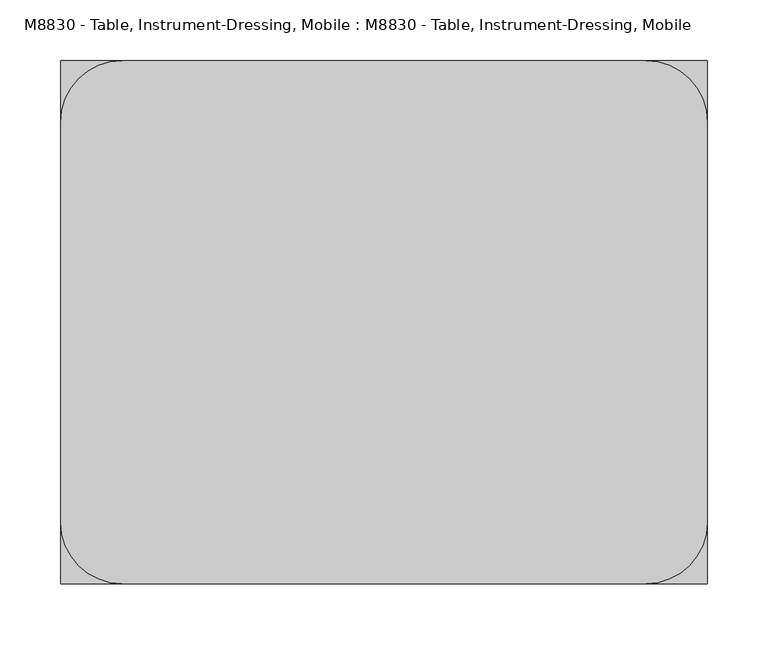
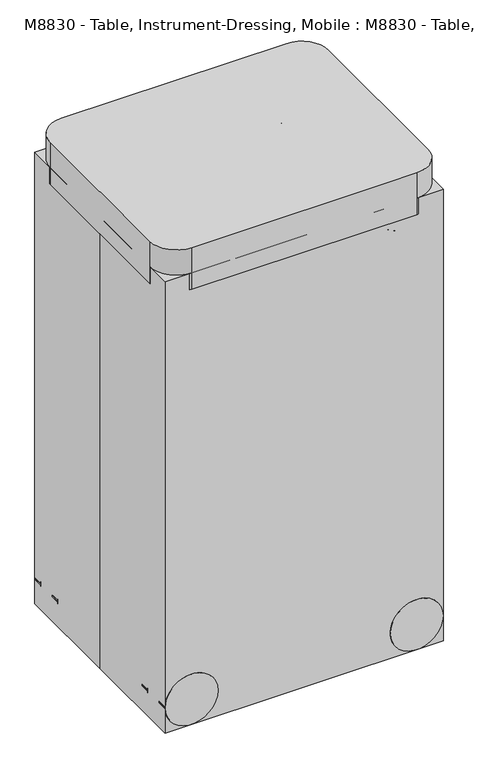
"""IFC4 building model written with IfcOpenShell, lengths in millimetres: proxy geometry, M8830 - Table, Instrument-Dressing, Mobile : M8830 - Table, Instrument-Dressing, Mobile."""

from ifc_helpers import new_model, si_unit, point, frame, frame_2d, origin, origin_with_axes, place, context, project, spatial, polyline, circle_curve, ellipse_curve, trimmed, segment, composite_curve, outline, extrude, source, transform, mapped, element, save
from ifc_brep_helpers import plane_surface, cylinder_surface, revolved_surface, advanced_brep


def m8830_table_instrument_dressing_mobile_m8830_table_82b5ee90(model_context):
    return source(origin(), model_context, "Body", "SolidModel", [
        extrude(outline(composite_curve([segment(trimmed(circle_curve(frame_2d((50.8, 215.9)), 50.8), [point((50.8, 266.7))], [point((50.8, 165.1))], False, "CARTESIAN"), True, "CONTINUOUS"), segment(trimmed(circle_curve(frame_2d((50.8, 215.9)), 50.8), [point((50.8, 165.1))], [point((50.8, 266.7))], False, "CARTESIAN"), True, "CONTINUOUS")], self_intersect=False)), frame((0.0, 139.7, 0.0), z_axis=(0.0, 1.0, 0.0), x_axis=(0.0, 0.0, 1.0)), (0.0, 0.0, 1.0), 19.05),
        extrude(outline(composite_curve([segment(trimmed(circle_curve(frame_2d((50.8, 215.9)), 50.8), [point((50.8, 266.7))], [point((50.8, 165.1))], False, "CARTESIAN"), True, "CONTINUOUS"), segment(trimmed(circle_curve(frame_2d((50.8, 215.9)), 50.8), [point((50.8, 165.1))], [point((50.8, 266.7))], False, "CARTESIAN"), True, "CONTINUOUS")], self_intersect=False)), frame((0.0, 196.85, 0.0), z_axis=(0.0, 1.0, 0.0), x_axis=(0.0, 0.0, 1.0)), (0.0, 0.0, 1.0), 19.05),
        extrude(outline(composite_curve([segment(trimmed(circle_curve(frame_2d((232.8333333, 177.8)), 16.9333333), [point((232.8333333, 194.7333333))], [point((232.8333333, 160.8666667))], False, "CARTESIAN"), True, "CONTINUOUS"), segment(trimmed(circle_curve(frame_2d((232.8333333, 177.8)), 16.9333333), [point((232.8333333, 160.8666667))], [point((232.8333333, 194.7333333))], False, "CARTESIAN"), True, "CONTINUOUS")], self_intersect=False)), frame((0.0, 0.0, 50.8), z_axis=(0.0, 0.0, 1.0), x_axis=(1.0, 0.0, 0.0)), (0.0, 0.0, 1.0), 50.8),
        extrude(outline(composite_curve([segment(trimmed(circle_curve(frame_2d((50.8, 215.9)), 33.8666667), [point((50.8, 182.0333333))], [point((50.8, 249.7666667))], False, "CARTESIAN"), True, "CONTINUOUS"), segment(trimmed(circle_curve(frame_2d((50.8, 215.9)), 33.8666667), [point((50.8, 249.7666667))], [point((50.8, 182.0333333))], False, "CARTESIAN"), True, "CONTINUOUS")], self_intersect=False)), frame((0.0, 158.75, 0.0), z_axis=(0.0, 1.0, 0.0), x_axis=(0.0, 0.0, 1.0)), (0.0, 0.0, 1.0), 38.1),
        extrude(outline(composite_curve([segment(trimmed(circle_curve(frame_2d((50.8, -215.9)), 50.8), [point((50.8, -266.7))], [point((50.8, -165.1))], False, "CARTESIAN"), True, "CONTINUOUS"), segment(trimmed(circle_curve(frame_2d((50.8, -215.9)), 50.8), [point((50.8, -165.1))], [point((50.8, -266.7))], False, "CARTESIAN"), True, "CONTINUOUS")], self_intersect=False)), frame((0.0, 139.7, 0.0), z_axis=(0.0, 1.0, 0.0), x_axis=(0.0, 0.0, 1.0)), (0.0, 0.0, 1.0), 19.05),
        extrude(outline(composite_curve([segment(trimmed(circle_curve(frame_2d((50.8, -215.9)), 50.8), [point((50.8, -266.7))], [point((50.8, -165.1))], False, "CARTESIAN"), True, "CONTINUOUS"), segment(trimmed(circle_curve(frame_2d((50.8, -215.9)), 50.8), [point((50.8, -165.1))], [point((50.8, -266.7))], False, "CARTESIAN"), True, "CONTINUOUS")], self_intersect=False)), frame((0.0, 196.85, 0.0), z_axis=(0.0, 1.0, 0.0), x_axis=(0.0, 0.0, 1.0)), (0.0, 0.0, 1.0), 19.05),
        extrude(outline(composite_curve([segment(trimmed(circle_curve(frame_2d((-232.8333333, 177.8)), 16.9333333), [point((-232.8333333, 194.7333333))], [point((-232.8333333, 160.8666667))], False, "CARTESIAN"), True, "CONTINUOUS"), segment(trimmed(circle_curve(frame_2d((-232.8333333, 177.8)), 16.9333333), [point((-232.8333333, 160.8666667))], [point((-232.8333333, 194.7333333))], False, "CARTESIAN"), True, "CONTINUOUS")], self_intersect=False)), frame((0.0, 0.0, 50.8), z_axis=(0.0, 0.0, 1.0), x_axis=(1.0, 0.0, 0.0)), (0.0, 0.0, 1.0), 50.8),
        extrude(outline(composite_curve([segment(trimmed(circle_curve(frame_2d((50.8, -215.9)), 33.8666667), [point((50.8, -182.0333333))], [point((50.8, -249.7666667))], False, "CARTESIAN"), True, "CONTINUOUS"), segment(trimmed(circle_curve(frame_2d((50.8, -215.9)), 33.8666667), [point((50.8, -249.7666667))], [point((50.8, -182.0333333))], False, "CARTESIAN"), True, "CONTINUOUS")], self_intersect=False)), frame((0.0, 158.75, 0.0), z_axis=(0.0, 1.0, 0.0), x_axis=(0.0, 0.0, 1.0)), (0.0, 0.0, 1.0), 38.1),
        extrude(outline(composite_curve([segment(trimmed(circle_curve(frame_2d((50.8, 215.9)), 50.8), [point((50.8, 266.7))], [point((50.8, 165.1))], False, "CARTESIAN"), True, "CONTINUOUS"), segment(trimmed(circle_curve(frame_2d((50.8, 215.9)), 50.8), [point((50.8, 165.1))], [point((50.8, 266.7))], False, "CARTESIAN"), True, "CONTINUOUS")], self_intersect=False)), frame((0.0, -158.75, 0.0), z_axis=(0.0, 1.0, 0.0), x_axis=(0.0, 0.0, 1.0)), (0.0, 0.0, 1.0), 19.05),
        extrude(outline(composite_curve([segment(trimmed(circle_curve(frame_2d((50.8, 215.9)), 50.8), [point((50.8, 266.7))], [point((50.8, 165.1))], False, "CARTESIAN"), True, "CONTINUOUS"), segment(trimmed(circle_curve(frame_2d((50.8, 215.9)), 50.8), [point((50.8, 165.1))], [point((50.8, 266.7))], False, "CARTESIAN"), True, "CONTINUOUS")], self_intersect=False)), frame((0.0, -215.9, 0.0), z_axis=(0.0, 1.0, 0.0), x_axis=(0.0, 0.0, 1.0)), (0.0, 0.0, 1.0), 19.05),
        extrude(outline(composite_curve([segment(trimmed(circle_curve(frame_2d((232.8333333, -177.8)), 16.9333333), [point((232.8333333, -194.7333333))], [point((232.8333333, -160.8666667))], False, "CARTESIAN"), True, "CONTINUOUS"), segment(trimmed(circle_curve(frame_2d((232.8333333, -177.8)), 16.9333333), [point((232.8333333, -160.8666667))], [point((232.8333333, -194.7333333))], False, "CARTESIAN"), True, "CONTINUOUS")], self_intersect=False)), frame((0.0, 0.0, 50.8), z_axis=(0.0, 0.0, 1.0), x_axis=(1.0, 0.0, 0.0)), (0.0, 0.0, 1.0), 50.8),
        extrude(outline(composite_curve([segment(trimmed(circle_curve(frame_2d((50.8, 215.9)), 33.8666667), [point((50.8, 182.0333333))], [point((50.8, 249.7666667))], False, "CARTESIAN"), True, "CONTINUOUS"), segment(trimmed(circle_curve(frame_2d((50.8, 215.9)), 33.8666667), [point((50.8, 249.7666667))], [point((50.8, 182.0333333))], False, "CARTESIAN"), True, "CONTINUOUS")], self_intersect=False)), frame((0.0, -196.85, 0.0), z_axis=(0.0, 1.0, 0.0), x_axis=(0.0, 0.0, 1.0)), (0.0, 0.0, 1.0), 38.1),
        extrude(outline(composite_curve([segment(trimmed(circle_curve(frame_2d((50.8, -215.9)), 50.8), [point((50.8, -266.7))], [point((50.8, -165.1))], False, "CARTESIAN"), True, "CONTINUOUS"), segment(trimmed(circle_curve(frame_2d((50.8, -215.9)), 50.8), [point((50.8, -165.1))], [point((50.8, -266.7))], False, "CARTESIAN"), True, "CONTINUOUS")], self_intersect=False)), frame((0.0, -158.75, 0.0), z_axis=(0.0, 1.0, 0.0), x_axis=(0.0, 0.0, 1.0)), (0.0, 0.0, 1.0), 19.05),
        extrude(outline(composite_curve([segment(trimmed(circle_curve(frame_2d((50.8, -215.9)), 50.8), [point((50.8, -266.7))], [point((50.8, -165.1))], False, "CARTESIAN"), True, "CONTINUOUS"), segment(trimmed(circle_curve(frame_2d((50.8, -215.9)), 50.8), [point((50.8, -165.1))], [point((50.8, -266.7))], False, "CARTESIAN"), True, "CONTINUOUS")], self_intersect=False)), frame((0.0, -215.9, 0.0), z_axis=(0.0, 1.0, 0.0), x_axis=(0.0, 0.0, 1.0)), (0.0, 0.0, 1.0), 19.05),
        extrude(outline(composite_curve([segment(trimmed(circle_curve(frame_2d((-232.8333333, -177.8)), 16.9333333), [point((-232.8333333, -194.7333333))], [point((-232.8333333, -160.8666667))], False, "CARTESIAN"), True, "CONTINUOUS"), segment(trimmed(circle_curve(frame_2d((-232.8333333, -177.8)), 16.9333333), [point((-232.8333333, -160.8666667))], [point((-232.8333333, -194.7333333))], False, "CARTESIAN"), True, "CONTINUOUS")], self_intersect=False)), frame((0.0, 0.0, 50.8), z_axis=(0.0, 0.0, 1.0), x_axis=(1.0, 0.0, 0.0)), (0.0, 0.0, 1.0), 50.8),
        extrude(outline(composite_curve([segment(trimmed(circle_curve(frame_2d((50.8, -215.9)), 33.8666667), [point((50.8, -182.0333333))], [point((50.8, -249.7666667))], False, "CARTESIAN"), True, "CONTINUOUS"), segment(trimmed(circle_curve(frame_2d((50.8, -215.9)), 33.8666667), [point((50.8, -249.7666667))], [point((50.8, -182.0333333))], False, "CARTESIAN"), True, "CONTINUOUS")], self_intersect=False)), frame((0.0, -196.85, 0.0), z_axis=(0.0, 1.0, 0.0), x_axis=(0.0, 0.0, 1.0)), (0.0, 0.0, 1.0), 38.1),
        extrude(outline(composite_curve([segment(trimmed(circle_curve(frame_2d((681.6008334, -232.8333333)), 12.7), [point((681.6008334, -245.5333333))], [point((681.6008334, -220.1333333))], False, "CARTESIAN"), True, "CONTINUOUS"), segment(trimmed(circle_curve(frame_2d((681.6008334, -232.8333333)), 12.7), [point((681.6008334, -220.1333333))], [point((681.6008334, -245.5333333))], False, "CARTESIAN"), True, "CONTINUOUS")], self_intersect=False)), frame((0.0, -180.1254393, 0.0), z_axis=(0.0, 1.0, 0.0), x_axis=(0.0, 0.0, 1.0)), (0.0, 0.0, 1.0), 357.0480955),
        extrude(outline(composite_curve([segment(trimmed(circle_curve(frame_2d((681.6008334, 232.8333333)), 12.7), [point((681.6008334, 220.1333333))], [point((681.6008334, 245.5333333))], False, "CARTESIAN"), True, "CONTINUOUS"), segment(trimmed(circle_curve(frame_2d((681.6008334, 232.8333333)), 12.7), [point((681.6008334, 245.5333333))], [point((681.6008334, 220.1333333))], False, "CARTESIAN"), True, "CONTINUOUS")], self_intersect=False)), frame((0.0, -180.1254393, 0.0), z_axis=(0.0, 1.0, 0.0), x_axis=(0.0, 0.0, 1.0)), (0.0, 0.0, 1.0), 357.0480955),
        extrude(outline(composite_curve([segment(trimmed(circle_curve(frame_2d((241.3, -232.8333333)), 12.7), [point((241.3, -245.5333333))], [point((241.3, -220.1333333))], False, "CARTESIAN"), True, "CONTINUOUS"), segment(trimmed(circle_curve(frame_2d((241.3, -232.8333333)), 12.7), [point((241.3, -220.1333333))], [point((241.3, -245.5333333))], False, "CARTESIAN"), True, "CONTINUOUS")], self_intersect=False)), frame((0.0, -180.1254393, 0.0), z_axis=(0.0, 1.0, 0.0), x_axis=(0.0, 0.0, 1.0)), (0.0, 0.0, 1.0), 357.0480955),
        extrude(outline(composite_curve([segment(trimmed(circle_curve(frame_2d((241.3, 232.8333333)), 12.7), [point((241.3, 220.1333333))], [point((241.3, 245.5333333))], False, "CARTESIAN"), True, "CONTINUOUS"), segment(trimmed(circle_curve(frame_2d((241.3, 232.8333333)), 12.7), [point((241.3, 245.5333333))], [point((241.3, 220.1333333))], False, "CARTESIAN"), True, "CONTINUOUS")], self_intersect=False)), frame((0.0, -180.1254393, 0.0), z_axis=(0.0, 1.0, 0.0), x_axis=(0.0, 0.0, 1.0)), (0.0, 0.0, 1.0), 357.0480955),
        extrude(outline(composite_curve([segment(trimmed(circle_curve(frame_2d((215.9, 165.1)), 50.8), [point((215.9, 215.9))], [point((266.7, 165.1))], False, "CARTESIAN"), True, "CONTINUOUS"), segment(polyline([(266.7, 165.1), (266.7, -165.1)]), True, "CONTINUOUS"), segment(trimmed(circle_curve(frame_2d((215.9, -165.1)), 50.8), [point((266.7, -165.1))], [point((215.9, -215.9))], False, "CARTESIAN"), True, "CONTINUOUS"), segment(polyline([(215.9, -215.9), (-215.9, -215.9)]), True, "CONTINUOUS"), segment(trimmed(circle_curve(frame_2d((-215.9, -165.1)), 50.8), [point((-215.9, -215.9))], [point((-266.7, -165.1))], False, "CARTESIAN"), True, "CONTINUOUS"), segment(polyline([(-266.7, -165.1), (-266.7, 165.1)]), True, "CONTINUOUS"), segment(trimmed(circle_curve(frame_2d((-215.9, 165.1)), 50.8), [point((-266.7, 165.1))], [point((-215.9, 215.9))], False, "CARTESIAN"), True, "CONTINUOUS"), segment(polyline([(-215.9, 215.9), (215.9, 215.9)]), True, "CONTINUOUS")], self_intersect=False)), frame((0.0, 0.0, 880.6016667), z_axis=(0.0, 0.0, 1.0), x_axis=(1.0, 0.0, 0.0)), (0.0, 0.0, 1.0), 84.5983333),
        advanced_brep(
        [(-232.8333333, -160.8666667, 101.6), (-232.8333333, -194.7333333, 101.6), (-232.8333333, -160.8666667, 787.4), (-232.8333333, -194.7333333, 787.4), (-156.6333333, -194.7333333, 863.6), (-156.6333333, -160.8666667, 863.6), (156.6333333, -160.8666667, 863.6), (156.6333333, -194.7333333, 863.6), (232.8333333, -194.7333333, 787.4), (232.8333333, -160.8666667, 787.4), (232.8333333, -160.8666667, 101.6), (232.8333333, -194.7333333, 101.6)],
        [
            (0, 1, circle_curve(frame((-232.8333333, -177.8, 101.6), z_axis=(0.0, 0.0, -1.0), x_axis=(-1.0, 0.0, 0.0)), 16.9333333)),
            (1, 0, circle_curve(frame((-232.8333333, -177.8, 101.6), z_axis=(0.0, 0.0, -1.0), x_axis=(-1.0, 0.0, 0.0)), 16.9333333)),
            (0, 2),
            (2, 3, circle_curve(frame((-232.8333333, -177.8, 787.4), z_axis=(0.0, 0.0, -1.0), x_axis=(-1.0, 0.0, 0.0)), 16.9333333)),
            (3, 1),
            (3, 2, circle_curve(frame((-232.8333333, -177.8, 787.4), z_axis=(0.0, 0.0, -1.0), x_axis=(-1.0, 0.0, 0.0)), 16.9333333)),
            (4, 3, circle_curve(frame((-156.6333333, -194.7333333, 787.4), z_axis=(0.0, -1.0, 0.0), x_axis=(-1.0, 0.0, 0.0)), 76.2)),
            (2, 5, circle_curve(frame((-156.6333333, -160.8666667, 787.4), z_axis=(0.0, 1.0, 0.0), x_axis=(-1.0, 0.0, 0.0)), 76.2)),
            (5, 4, circle_curve(frame((-156.6333333, -177.8, 863.6), z_axis=(-1.0, 0.0, 0.0), x_axis=(0.0, 0.0, 1.0)), 16.9333333)),
            (4, 5, circle_curve(frame((-156.6333333, -177.8, 863.6), z_axis=(-1.0, 0.0, 0.0), x_axis=(0.0, 0.0, 1.0)), 16.9333333)),
            (5, 6),
            (6, 7, circle_curve(frame((156.6333333, -177.8, 863.6), z_axis=(-1.0, 0.0, 0.0), x_axis=(0.0, 0.0, 1.0)), 16.9333333)),
            (7, 4),
            (7, 6, circle_curve(frame((156.6333333, -177.8, 863.6), z_axis=(-1.0, 0.0, 0.0), x_axis=(0.0, 0.0, 1.0)), 16.9333333)),
            (8, 7, circle_curve(frame((156.6333333, -194.7333333, 787.4), z_axis=(0.0, -1.0, 0.0), x_axis=(0.0, 0.0, 1.0)), 76.2)),
            (6, 9, circle_curve(frame((156.6333333, -160.8666667, 787.4), z_axis=(0.0, 1.0, 0.0), x_axis=(0.0, 0.0, 1.0)), 76.2)),
            (9, 8, circle_curve(frame((232.8333333, -177.8, 787.4), z_axis=(0.0, 0.0, 1.0), x_axis=(1.0, 0.0, 0.0)), 16.9333333)),
            (8, 9, circle_curve(frame((232.8333333, -177.8, 787.4), z_axis=(0.0, 0.0, 1.0), x_axis=(1.0, 0.0, 0.0)), 16.9333333)),
            (10, 11, circle_curve(frame((232.8333333, -177.8, 101.6), z_axis=(0.0, 0.0, -1.0), x_axis=(1.0, 0.0, 0.0)), 16.9333333)),
            (11, 10, circle_curve(frame((232.8333333, -177.8, 101.6), z_axis=(0.0, 0.0, -1.0), x_axis=(1.0, 0.0, 0.0)), 16.9333333)),
            (9, 10),
            (11, 8),
        ],
        [
            plane_surface(frame((-232.8333333, 0.0, 101.6), z_axis=(0.0, 0.0, -1.0), x_axis=(0.0, -1.0, 0.0))),
            cylinder_surface(frame((-232.8333333, -177.8, 101.6), z_axis=(0.0, 0.0, -1.0), x_axis=(-1.0, 0.0, 0.0)), 16.9333333),
            revolved_surface(trimmed(ellipse_curve(frame((-232.8333333, -177.8, 787.4), z_axis=(0.0, 0.0, -1.0), x_axis=(-1.0, 0.0, 0.0)), 16.9333333, 16.9333333), [point((-232.8333333, -160.8666667, 787.4))], [point((-232.8333333, -194.7333333, 787.4))], True, "CARTESIAN"), (-156.6333333, 0.0, 787.4), (0.0, 1.0, 0.0)),
            revolved_surface(trimmed(ellipse_curve(frame((-232.8333333, -177.8, 787.4), z_axis=(0.0, 0.0, -1.0), x_axis=(-1.0, 0.0, 0.0)), 16.9333333, 16.9333333), [point((-232.8333333, -194.7333333, 787.4))], [point((-232.8333333, -160.8666667, 787.4))], True, "CARTESIAN"), (-156.6333333, 0.0, 787.4), (0.0, 1.0, 0.0)),
            cylinder_surface(frame((-156.6333333, -177.8, 863.6), z_axis=(-1.0, 0.0, 0.0), x_axis=(0.0, 0.0, 1.0)), 16.9333333),
            revolved_surface(trimmed(ellipse_curve(frame((156.6333333, -177.8, 863.6), z_axis=(-1.0, 0.0, 0.0), x_axis=(0.0, 0.0, 1.0)), 16.9333333, 16.9333333), [point((156.6333333, -160.8666667, 863.6))], [point((156.6333333, -194.7333333, 863.6))], True, "CARTESIAN"), (156.6333333, 0.0, 787.4), (0.0, 1.0, 0.0)),
            revolved_surface(trimmed(ellipse_curve(frame((156.6333333, -177.8, 863.6), z_axis=(-1.0, 0.0, 0.0), x_axis=(0.0, 0.0, 1.0)), 16.9333333, 16.9333333), [point((156.6333333, -194.7333333, 863.6))], [point((156.6333333, -160.8666667, 863.6))], True, "CARTESIAN"), (156.6333333, 0.0, 787.4), (0.0, 1.0, 0.0)),
            plane_surface(frame((232.8333333, 0.0, 101.6), z_axis=(0.0, 0.0, -1.0), x_axis=(0.0, -1.0, 0.0))),
            cylinder_surface(frame((232.8333333, -177.8, 787.4), z_axis=(0.0, 0.0, 1.0), x_axis=(1.0, 0.0, 0.0)), 16.9333333),
        ],
        [
            (0, [[1, 2]]),
            (1, [[-1, 3, 4, 5]]),
            (1, [[-2, -5, 6, -3]]),
            (2, [[7, -4, 8, 9]]),
            (3, [[-8, -6, -7, 10]]),
            (4, [[-9, 11, 12, 13]]),
            (4, [[-10, -13, 14, -11]]),
            (5, [[15, -12, 16, 17]]),
            (6, [[-16, -14, -15, 18]]),
            (7, [[19, 20]]),
            (8, [[-17, 21, -20, 22]]),
            (8, [[-18, -22, -19, -21]]),
        ],
    ),
        advanced_brep(
        [(-232.8333333, 194.7333333, 101.6), (-232.8333333, 160.8666667, 101.6), (-232.8333333, 194.7333333, 787.4), (-232.8333333, 160.8666667, 787.4), (-156.6333333, 160.8666667, 863.6), (-156.6333333, 194.7333333, 863.6), (156.6333333, 194.7333333, 863.6), (156.6333333, 160.8666667, 863.6), (232.8333333, 160.8666667, 787.4), (232.8333333, 194.7333333, 787.4), (232.8333333, 194.7333333, 101.6), (232.8333333, 160.8666667, 101.6)],
        [
            (0, 1, circle_curve(frame((-232.8333333, 177.8, 101.6), z_axis=(0.0, 0.0, -1.0), x_axis=(-1.0, 0.0, 0.0)), 16.9333333)),
            (1, 0, circle_curve(frame((-232.8333333, 177.8, 101.6), z_axis=(0.0, 0.0, -1.0), x_axis=(-1.0, 0.0, 0.0)), 16.9333333)),
            (0, 2),
            (2, 3, circle_curve(frame((-232.8333333, 177.8, 787.4), z_axis=(0.0, 0.0, -1.0), x_axis=(-1.0, 0.0, 0.0)), 16.9333333)),
            (3, 1),
            (3, 2, circle_curve(frame((-232.8333333, 177.8, 787.4), z_axis=(0.0, 0.0, -1.0), x_axis=(-1.0, 0.0, 0.0)), 16.9333333)),
            (4, 3, circle_curve(frame((-156.6333333, 160.8666667, 787.4), z_axis=(0.0, -1.0, 0.0), x_axis=(-1.0, 0.0, 0.0)), 76.2)),
            (2, 5, circle_curve(frame((-156.6333333, 194.7333333, 787.4), z_axis=(0.0, 1.0, 0.0), x_axis=(-1.0, 0.0, 0.0)), 76.2)),
            (5, 4, circle_curve(frame((-156.6333333, 177.8, 863.6), z_axis=(-1.0, 0.0, 0.0), x_axis=(0.0, 0.0, 1.0)), 16.9333333)),
            (4, 5, circle_curve(frame((-156.6333333, 177.8, 863.6), z_axis=(-1.0, 0.0, 0.0), x_axis=(0.0, 0.0, 1.0)), 16.9333333)),
            (5, 6),
            (6, 7, circle_curve(frame((156.6333333, 177.8, 863.6), z_axis=(-1.0, 0.0, 0.0), x_axis=(0.0, 0.0, 1.0)), 16.9333333)),
            (7, 4),
            (7, 6, circle_curve(frame((156.6333333, 177.8, 863.6), z_axis=(-1.0, 0.0, 0.0), x_axis=(0.0, 0.0, 1.0)), 16.9333333)),
            (8, 7, circle_curve(frame((156.6333333, 160.8666667, 787.4), z_axis=(0.0, -1.0, 0.0), x_axis=(0.0, 0.0, 1.0)), 76.2)),
            (6, 9, circle_curve(frame((156.6333333, 194.7333333, 787.4), z_axis=(0.0, 1.0, 0.0), x_axis=(0.0, 0.0, 1.0)), 76.2)),
            (9, 8, circle_curve(frame((232.8333333, 177.8, 787.4), z_axis=(0.0, 0.0, 1.0), x_axis=(1.0, 0.0, 0.0)), 16.9333333)),
            (8, 9, circle_curve(frame((232.8333333, 177.8, 787.4), z_axis=(0.0, 0.0, 1.0), x_axis=(1.0, 0.0, 0.0)), 16.9333333)),
            (10, 11, circle_curve(frame((232.8333333, 177.8, 101.6), z_axis=(0.0, 0.0, -1.0), x_axis=(1.0, 0.0, 0.0)), 16.9333333)),
            (11, 10, circle_curve(frame((232.8333333, 177.8, 101.6), z_axis=(0.0, 0.0, -1.0), x_axis=(1.0, 0.0, 0.0)), 16.9333333)),
            (9, 10),
            (11, 8),
        ],
        [
            plane_surface(frame((-232.8333333, 0.0, 101.6), z_axis=(0.0, 0.0, -1.0), x_axis=(0.0, -1.0, 0.0))),
            cylinder_surface(frame((-232.8333333, 177.8, 101.6), z_axis=(0.0, 0.0, -1.0), x_axis=(-1.0, 0.0, 0.0)), 16.9333333),
            revolved_surface(trimmed(ellipse_curve(frame((-232.8333333, 177.8, 787.4), z_axis=(0.0, 0.0, -1.0), x_axis=(-1.0, 0.0, 0.0)), 16.9333333, 16.9333333), [point((-232.8333333, 194.7333333, 787.4))], [point((-232.8333333, 160.8666667, 787.4))], True, "CARTESIAN"), (-156.6333333, 0.0, 787.4), (0.0, 1.0, 0.0)),
            revolved_surface(trimmed(ellipse_curve(frame((-232.8333333, 177.8, 787.4), z_axis=(0.0, 0.0, -1.0), x_axis=(-1.0, 0.0, 0.0)), 16.9333333, 16.9333333), [point((-232.8333333, 160.8666667, 787.4))], [point((-232.8333333, 194.7333333, 787.4))], True, "CARTESIAN"), (-156.6333333, 0.0, 787.4), (0.0, 1.0, 0.0)),
            cylinder_surface(frame((-156.6333333, 177.8, 863.6), z_axis=(-1.0, 0.0, 0.0), x_axis=(0.0, 0.0, 1.0)), 16.9333333),
            revolved_surface(trimmed(ellipse_curve(frame((156.6333333, 177.8, 863.6), z_axis=(-1.0, 0.0, 0.0), x_axis=(0.0, 0.0, 1.0)), 16.9333333, 16.9333333), [point((156.6333333, 194.7333333, 863.6))], [point((156.6333333, 160.8666667, 863.6))], True, "CARTESIAN"), (156.6333333, 0.0, 787.4), (0.0, 1.0, 0.0)),
            revolved_surface(trimmed(ellipse_curve(frame((156.6333333, 177.8, 863.6), z_axis=(-1.0, 0.0, 0.0), x_axis=(0.0, 0.0, 1.0)), 16.9333333, 16.9333333), [point((156.6333333, 160.8666667, 863.6))], [point((156.6333333, 194.7333333, 863.6))], True, "CARTESIAN"), (156.6333333, 0.0, 787.4), (0.0, 1.0, 0.0)),
            plane_surface(frame((232.8333333, 0.0, 101.6), z_axis=(0.0, 0.0, -1.0), x_axis=(0.0, -1.0, 0.0))),
            cylinder_surface(frame((232.8333333, 177.8, 787.4), z_axis=(0.0, 0.0, 1.0), x_axis=(1.0, 0.0, 0.0)), 16.9333333),
        ],
        [
            (0, [[1, 2]]),
            (1, [[-1, 3, 4, 5]]),
            (1, [[-2, -5, 6, -3]]),
            (2, [[7, -4, 8, 9]]),
            (3, [[-8, -6, -7, 10]]),
            (4, [[-9, 11, 12, 13]]),
            (4, [[-10, -13, 14, -11]]),
            (5, [[15, -12, 16, 17]]),
            (6, [[-16, -14, -15, 18]]),
            (7, [[19, 20]]),
            (8, [[-17, 21, -20, 22]]),
            (8, [[-18, -22, -19, -21]]),
        ],
    ),
        extrude(outline(polyline([(-266.7, 215.9), (266.7, 215.9), (266.7, -215.9), (-266.7, -215.9), (-266.7, 0.0), (-266.7, 215.9)])), origin_with_axes(), (0.0, 0.0, 1.0), 914.4),
    ])


if __name__ == "__main__":
    model = new_model("IFC4")
    model_context = context("Model", 3, world=origin())
    ifc_project = project(units=[si_unit("LENGTHUNIT", "METRE", prefix="MILLI")], contexts=[model_context])
    site = spatial("IfcSite", under=ifc_project)
    building = spatial("IfcBuilding", under=site)
    placement = place(None, origin())
    m8830_table_instrument_dressing_mobile_m8830_table_shape = m8830_table_instrument_dressing_mobile_m8830_table_82b5ee90(model_context)
    element("IfcBuildingElementProxy", 1, Name="M8830 - Table, Instrument-Dressing, Mobile : M8830 - Table, Instrument-Dressing, Mobile", ObjectType="M8830 - Table, Instrument-Dressing, Mobile : M8830 - Table, Instrument-Dressing, Mobile", at=placement, inside=building, context=model_context, shape_type="MappedRepresentation", body=[
        mapped(m8830_table_instrument_dressing_mobile_m8830_table_shape, transform((0.0, 0.0, 0.0), x_axis=(1.0, 0.0, 0.0), y_axis=(0.0, 1.0, 0.0), z_axis=(0.0, 0.0, 1.0))),
    ])
    save(model, "model.ifc")
